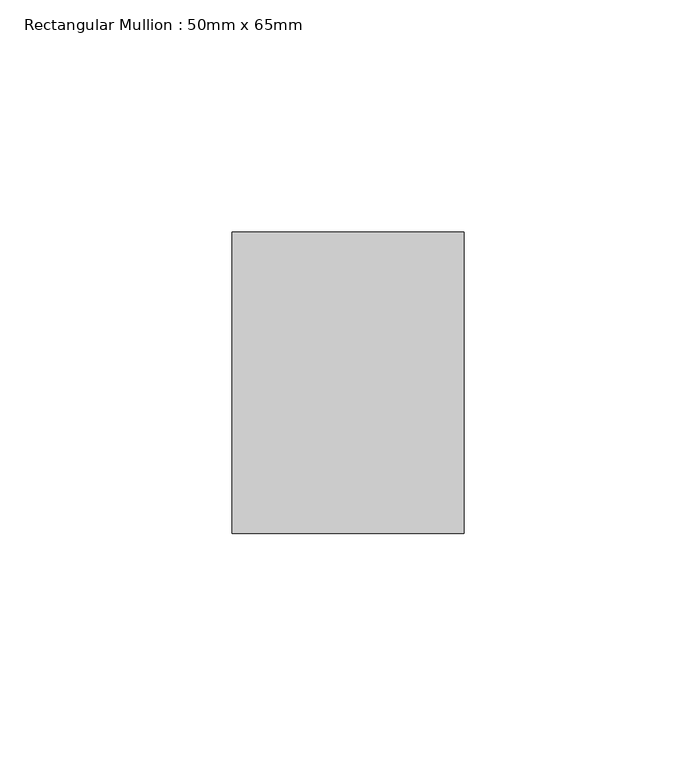
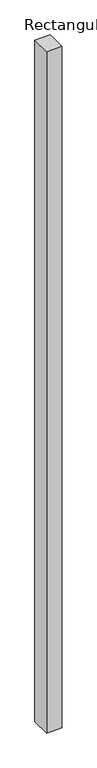
"""IFC4 building model written with IfcOpenShell, lengths in millimetres: member geometry, Rectangular Mullion : 50mm x 65mm."""

from ifc_helpers import new_model, si_unit, frame, origin, place, context, project, spatial, polyline, outline, extrude, source, transform, mapped, element, save


def rectangular_mullion_50mm_x_65mm_6c241254(model_context):
    return source(origin(), model_context, "Body", "SweptSolid", [
        extrude(outline(polyline([(25.0, 32.5), (25.0, -32.5), (-25.0, -32.5), (-25.0, 32.5), (25.0, 32.5)])), frame((0.0, 0.0, -2332.1781852), z_axis=(0.0, 0.0, 1.0), x_axis=(1.0, 0.0, 0.0)), (0.0, 0.0, 1.0), 2332.1781852),
    ])


if __name__ == "__main__":
    model = new_model("IFC4")
    model_context = context("Model", 3, world=origin())
    ifc_project = project(units=[si_unit("LENGTHUNIT", "METRE", prefix="MILLI")], contexts=[model_context])
    site = spatial("IfcSite", under=ifc_project)
    building = spatial("IfcBuilding", under=site)
    placement = place(None, origin())
    rectangular_mullion_50mm_x_65mm_shape = rectangular_mullion_50mm_x_65mm_6c241254(model_context)
    element("IfcMember", 1, ObjectType="Rectangular Mullion : 50mm x 65mm", at=placement, inside=building, context=model_context, shape_type="MappedRepresentation", body=[
        mapped(rectangular_mullion_50mm_x_65mm_shape, transform((0.0, 0.0, 0.0), x_axis=(1.0, 0.0, 0.0), y_axis=(0.0, 1.0, 0.0), z_axis=(0.0, 0.0, 1.0))),
    ])
    save(model, "model.ifc")
